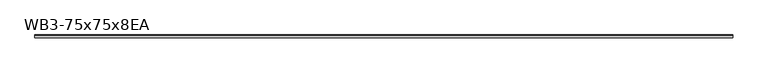
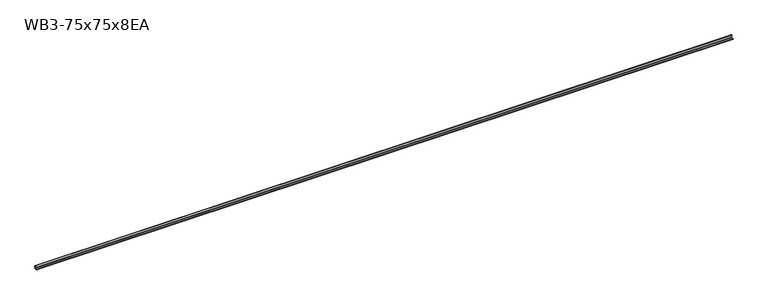
"""IFC4 building model written with IfcOpenShell, lengths in millimetres: beam geometry, WB3-75x75x8EA."""

from ifc_helpers import new_model, si_unit, point, frame, frame_2d, origin, place, context, project, spatial, polyline, circle_curve, trimmed, segment, composite_curve, outline, extrude, source, transform, mapped, element, save


def wb3_75x75x8ea_3b96113a(model_context):
    return source(origin(), model_context, "Body", "SweptSolid", [
        extrude(outline(composite_curve([segment(polyline([(21.3, -21.3), (-53.7, -21.3), (-53.7, -18.3)]), True, "CONTINUOUS"), segment(trimmed(circle_curve(frame_2d((-48.7, -18.3)), 5.0), [point((-53.7, -18.3))], [point((-48.7, -13.3))], False, "CARTESIAN"), True, "CONTINUOUS"), segment(polyline([(-48.7, -13.3), (5.3, -13.3)]), True, "CONTINUOUS"), segment(trimmed(circle_curve(frame_2d((5.3, -5.3)), 8.0), [point((5.3, -13.3))], [point((13.3, -5.3))], True, "CARTESIAN"), True, "CONTINUOUS"), segment(polyline([(13.3, -5.3), (13.3, 48.7)]), True, "CONTINUOUS"), segment(trimmed(circle_curve(frame_2d((18.3, 48.7)), 5.0), [point((13.3, 48.7))], [point((18.3, 53.7))], False, "CARTESIAN"), True, "CONTINUOUS"), segment(polyline([(18.3, 53.7), (21.3, 53.7), (21.3, -21.3)]), True, "CONTINUOUS")], self_intersect=False)), frame((-9269.5, 0.0, 0.0), z_axis=(1.0, 0.0, 0.0), x_axis=(0.0, 1.0, 0.0)), (0.0, 0.0, 1.0), 18518.0),
    ])


if __name__ == "__main__":
    model = new_model("IFC4")
    model_context = context("Model", 3, world=origin())
    ifc_project = project(units=[si_unit("LENGTHUNIT", "METRE", prefix="MILLI")], contexts=[model_context])
    site = spatial("IfcSite", under=ifc_project)
    building = spatial("IfcBuilding", under=site)
    placement = place(None, origin())
    wb3_75x75x8ea_shape = wb3_75x75x8ea_3b96113a(model_context)
    element("IfcBeam", 1, ObjectType="WB3-75x75x8EA", at=placement, inside=building, context=model_context, shape_type="MappedRepresentation", body=[
        mapped(wb3_75x75x8ea_shape, transform((0.0, 0.0, 0.0), x_axis=(1.0, 0.0, 0.0), y_axis=(0.0, 1.0, 0.0), z_axis=(0.0, 0.0, 1.0))),
    ])
    save(model, "model.ifc")
